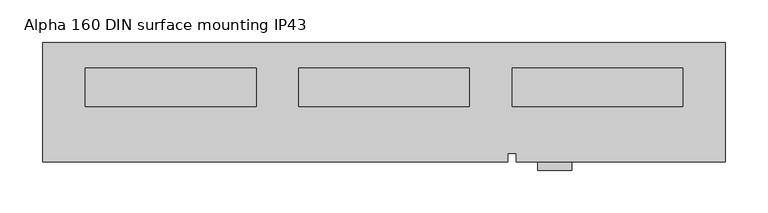
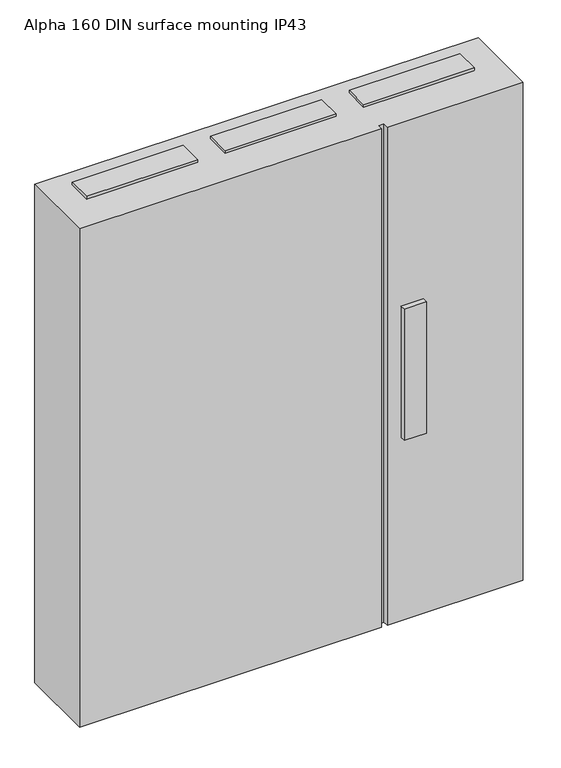
"""IFC4 building model written with IfcOpenShell, lengths in millimetres: proxy geometry, Alpha 160 DIN surface mounting IP43."""

from ifc_helpers import new_model, si_unit, frame, origin, origin_with_axes, place, context, project, spatial, polyline, outline, extrude, source, transform, mapped, element, save


def alpha_160_din_surface_mounting_ip43_93dc0ec1(model_context):
    return source(origin(), model_context, "Body", "SweptSolid", [
        extrude(outline(polyline([(750.0, -30.0), (750.0, -75.0), (550.0, -75.0), (550.0, -30.0), (750.0, -30.0)])), frame((0.0, 0.0, 950.0), z_axis=(0.0, 0.0, 1.0), x_axis=(1.0, 0.0, 0.0)), (0.0, 0.0, 1.0), 5.0),
        extrude(outline(polyline([(750.0, -30.0), (750.0, -75.0), (550.0, -75.0), (550.0, -30.0), (750.0, -30.0)])), frame((0.0, 0.0, -5.0), z_axis=(0.0, 0.0, 1.0), x_axis=(1.0, 0.0, 0.0)), (0.0, 0.0, 1.0), 5.0),
        extrude(outline(polyline([(500.0, -30.0), (500.0, -75.0), (300.0, -75.0), (300.0, -30.0), (500.0, -30.0)])), frame((0.0, 0.0, 950.0), z_axis=(0.0, 0.0, 1.0), x_axis=(1.0, 0.0, 0.0)), (0.0, 0.0, 1.0), 5.0),
        extrude(outline(polyline([(500.0, -30.0), (500.0, -75.0), (300.0, -75.0), (300.0, -30.0), (500.0, -30.0)])), frame((0.0, 0.0, -5.0), z_axis=(0.0, 0.0, 1.0), x_axis=(1.0, 0.0, 0.0)), (0.0, 0.0, 1.0), 5.0),
        extrude(outline(polyline([(250.0, -30.0), (250.0, -75.0), (50.0, -75.0), (50.0, -30.0), (250.0, -30.0)])), frame((0.0, 0.0, 950.0), z_axis=(0.0, 0.0, 1.0), x_axis=(1.0, 0.0, 0.0)), (0.0, 0.0, 1.0), 5.0),
        extrude(outline(polyline([(250.0, -30.0), (250.0, -75.0), (50.0, -75.0), (50.0, -30.0), (250.0, -30.0)])), frame((0.0, 0.0, -5.0), z_axis=(0.0, 0.0, 1.0), x_axis=(1.0, 0.0, 0.0)), (0.0, 0.0, 1.0), 5.0),
        extrude(outline(polyline([(620.0, -140.0), (620.0, -150.0), (580.0, -150.0), (580.0, -140.0), (620.0, -140.0)])), frame((0.0, 0.0, 350.0), z_axis=(0.0, 0.0, 1.0), x_axis=(1.0, 0.0, 0.0)), (0.0, 0.0, 1.0), 250.0),
        extrude(outline(polyline([(800.0, 0.0), (800.0, -140.0), (555.0, -140.0), (555.0, -130.0), (545.0, -130.0), (545.0, -140.0), (0.0, -140.0), (0.0, 0.0), (800.0, 0.0)])), origin_with_axes(), (0.0, 0.0, 1.0), 950.0),
    ])


if __name__ == "__main__":
    model = new_model("IFC4")
    model_context = context("Model", 3, world=origin())
    ifc_project = project(units=[si_unit("LENGTHUNIT", "METRE", prefix="MILLI")], contexts=[model_context])
    site = spatial("IfcSite", under=ifc_project)
    building = spatial("IfcBuilding", under=site)
    placement = place(None, origin())
    alpha_160_din_surface_mounting_ip43_shape = alpha_160_din_surface_mounting_ip43_93dc0ec1(model_context)
    element("IfcBuildingElementProxy", 1, Name="Alpha 160 DIN surface mounting IP43", ObjectType="Alpha 160 DIN surface mounting IP43", at=placement, inside=building, context=model_context, shape_type="MappedRepresentation", body=[
        mapped(alpha_160_din_surface_mounting_ip43_shape, transform((0.0, 0.0, 0.0), x_axis=(1.0, 0.0, 0.0), y_axis=(0.0, 1.0, 0.0), z_axis=(0.0, 0.0, 1.0))),
    ])
    save(model, "model.ifc")
